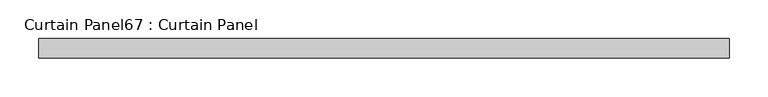
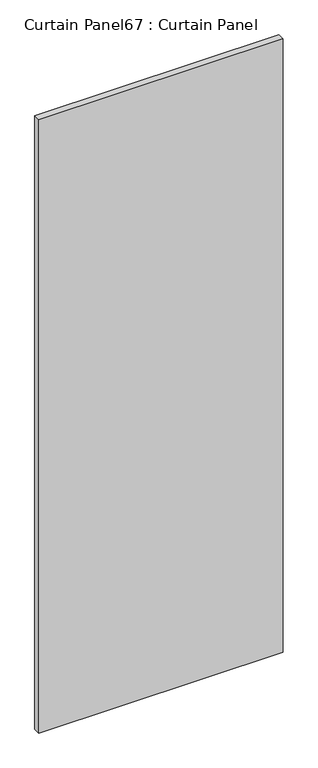
"""IFC4 building model written with IfcOpenShell, lengths in millimetres: plate geometry, Curtain Panel67 : Curtain Panel."""

from ifc_helpers import new_model, si_unit, frame, origin, place, context, project, spatial, polyline, outline, extrude, source, transform, mapped, element, save


def curtain_panel67_curtain_panel_1a4814d1(model_context):
    return source(origin(), model_context, "Body", "SweptSolid", [
        extrude(outline(polyline([(-36231.0159538, -1283.4463534), (-37126.3659275, -1283.4463534), (-37126.3659275, -1258.0463534), (-36231.0159538, -1258.0463534), (-36231.0159538, -1283.4463534)])), frame((0.0, 0.0, 54.0872101), z_axis=(0.0, 0.0, 1.0), x_axis=(1.0, 0.0, 0.0)), (0.0, 0.0, 1.0), 2374.7877899),
    ])


if __name__ == "__main__":
    model = new_model("IFC4")
    model_context = context("Model", 3, world=origin())
    ifc_project = project(units=[si_unit("LENGTHUNIT", "METRE", prefix="MILLI")], contexts=[model_context])
    site = spatial("IfcSite", under=ifc_project)
    building = spatial("IfcBuilding", under=site)
    placement = place(None, origin())
    curtain_panel67_curtain_panel_shape = curtain_panel67_curtain_panel_1a4814d1(model_context)
    element("IfcPlate", 1, ObjectType="Curtain Panel67 : Curtain Panel", at=placement, inside=building, context=model_context, shape_type="MappedRepresentation", body=[
        mapped(curtain_panel67_curtain_panel_shape, transform((0.0, 0.0, 0.0), x_axis=(1.0, 0.0, 0.0), y_axis=(0.0, 1.0, 0.0), z_axis=(0.0, 0.0, 1.0))),
    ])
    save(model, "model.ifc")
